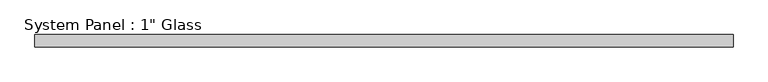
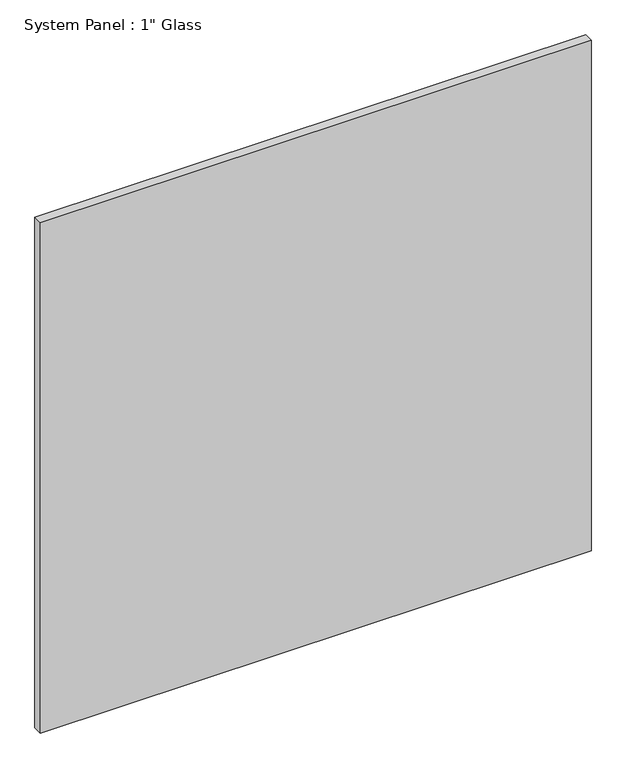
"""IFC4 building model written with IfcOpenShell, lengths in millimetres: plate geometry."""

from ifc_helpers import new_model, si_unit, origin, origin_with_axes, place, context, project, spatial, polyline, outline, extrude, source, transform, mapped, element, save


def plate_f6ed0eee(model_context):
    return source(origin(), model_context, "Body", "SweptSolid", [
        extrude(outline(polyline([(727.0758852, -12.7), (-727.0758852, -12.7), (-727.0758852, 12.7), (727.0758852, 12.7), (727.0758852, -12.7)])), origin_with_axes(), (0.0, 0.0, 1.0), 1424.9417704),
    ])


if __name__ == "__main__":
    model = new_model("IFC4")
    model_context = context("Model", 3, world=origin())
    ifc_project = project(units=[si_unit("LENGTHUNIT", "METRE", prefix="MILLI")], contexts=[model_context])
    site = spatial("IfcSite", under=ifc_project)
    building = spatial("IfcBuilding", under=site)
    placement = place(None, origin())
    plate_shape = plate_f6ed0eee(model_context)
    element("IfcPlate", 1, ObjectType="System Panel : 1\" Glass", at=placement, inside=building, context=model_context, shape_type="MappedRepresentation", body=[
        mapped(plate_shape, transform((0.0, 0.0, 0.0), x_axis=(1.0, 0.0, 0.0), y_axis=(0.0, 1.0, 0.0), z_axis=(0.0, 0.0, 1.0))),
    ])
    save(model, "model.ifc")
